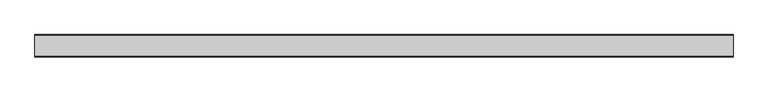
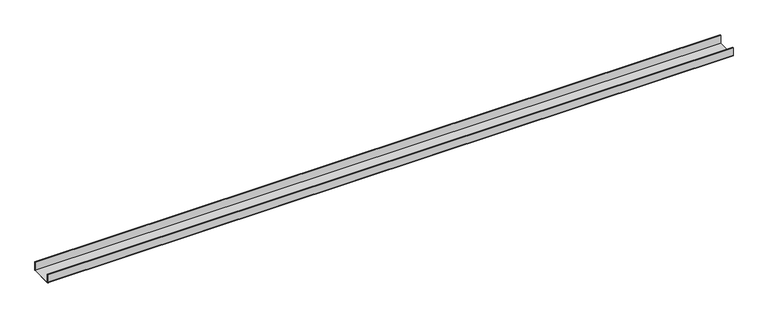
"""IFC4 building model written with IfcOpenShell, lengths in millimetres: proxy geometry."""

from ifc_helpers import new_model, si_unit, point, frame, frame_2d, origin, place, context, project, spatial, polyline, circle_curve, trimmed, segment, composite_curve, outline, extrude, source, transform, mapped, element, save


def generic_models_af8308b0(model_context):
    return source(origin(), model_context, "Body", "SweptSolid", [
        extrude(outline(composite_curve([segment(polyline([(-50.5, 2.0), (-50.5, 40.0), (-48.5, 40.0), (-48.5, 2.0), (48.5, 2.0), (48.5, 40.0), (50.5, 40.0), (50.5, 2.0)]), True, "CONTINUOUS"), segment(trimmed(circle_curve(frame_2d((48.5, 2.0)), 2.0), [point((50.5, 2.0))], [point((48.5, 0.0))], False, "CARTESIAN"), True, "CONTINUOUS"), segment(polyline([(48.5, 0.0), (-48.5, 0.0)]), True, "CONTINUOUS"), segment(trimmed(circle_curve(frame_2d((-48.5, 2.0)), 2.0), [point((-48.5, 0.0))], [point((-50.5, 2.0))], False, "CARTESIAN"), True, "CONTINUOUS")], self_intersect=False)), frame((0.0, 0.0, 0.0), z_axis=(1.0, 0.0, 0.0), x_axis=(0.0, 1.0, 0.0)), (0.0, 0.0, 1.0), 3136.862107),
    ])


if __name__ == "__main__":
    model = new_model("IFC4")
    model_context = context("Model", 3, world=origin())
    ifc_project = project(units=[si_unit("LENGTHUNIT", "METRE", prefix="MILLI")], contexts=[model_context])
    site = spatial("IfcSite", under=ifc_project)
    building = spatial("IfcBuilding", under=site)
    placement = place(None, origin())
    generic_models_shape = generic_models_af8308b0(model_context)
    element("IfcBuildingElementProxy", 1, Name="Generic Models", at=placement, inside=building, context=model_context, shape_type="MappedRepresentation", body=[
        mapped(generic_models_shape, transform((0.0, 0.0, 0.0), x_axis=(1.0, 0.0, 0.0), y_axis=(0.0, 1.0, 0.0), z_axis=(0.0, 0.0, 1.0))),
    ])
    save(model, "model.ifc")
